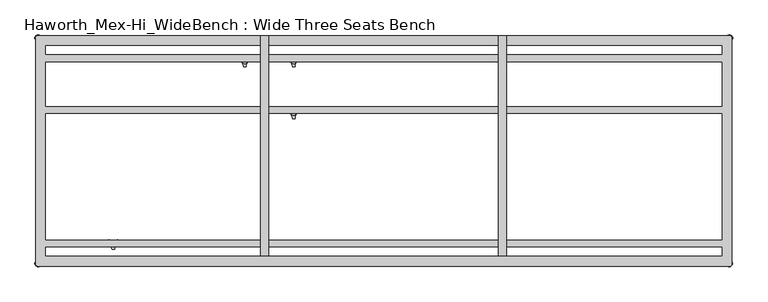
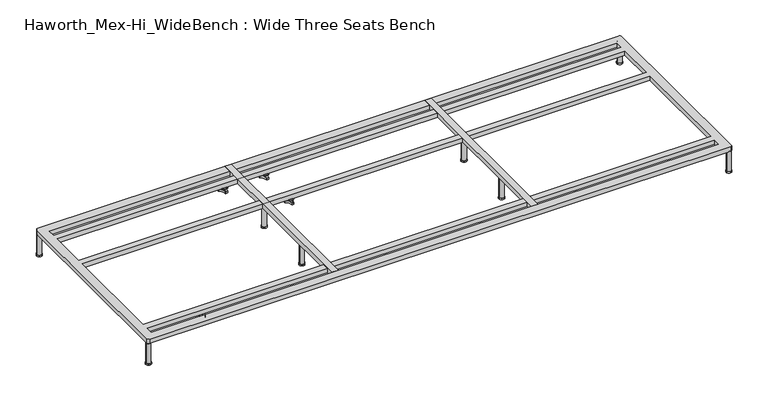
"""IFC4 building model written with IfcOpenShell, lengths in millimetres: furniture geometry, Haworth_Mex-Hi_WideBench : Wide Three Seats Bench."""

from ifc_helpers import new_model, si_unit, point, frame, frame_2d, origin, origin_with_axes, place, context, project, spatial, polyline, circle_curve, trimmed, segment, composite_curve, outline, extrude, source, transform, mapped, element, save
from ifc_brep_helpers import plane_surface, cylinder_surface, revolved_surface, advanced_brep


def haworth_mex_hi_widebench_wide_three_seats_bench_ba6f2c74(model_context):
    return source(origin(), model_context, "Body", "SolidModel", [
        advanced_brep(
        [(-519.7611937, -130.2721038, 98.611642), (-523.9837819, -137.585841, 98.611642), (-523.585833, -138.7518724, 98.611642), (-507.7665623, -166.1516574, 98.611642), (-506.9557288, -167.0792988, 98.611642), (-498.5105502, -167.0792988, 98.611642), (-497.706022, -165.9895174, 98.611642), (-481.6037689, -138.4877144, 98.611642), (-481.4824919, -137.5858427, 98.611642), (-485.7050818, -130.2721023, 98.611642), (-486.9138653, -130.0337175, 98.611642), (-518.5524137, -130.0337175, 98.611642), (-493.360263, -145.1926245, 98.611642), (-512.2652749, -145.1926245, 98.611642), (-519.7611937, -130.2721038, 88.6531552), (-518.5524137, -130.0337175, 88.6531552), (-486.9138653, -130.0337175, 88.6531552), (-485.7050818, -130.2721023, 88.6531552), (-481.4824919, -137.5858427, 88.6531552), (-481.6037689, -138.4877144, 88.6531552), (-497.706022, -165.9895174, 88.6531552), (-498.5105502, -167.0792988, 88.6531552), (-506.9557288, -167.0792988, 88.6531552), (-507.7665623, -166.1516574, 88.6531552), (-523.585833, -138.7518724, 88.6531552), (-523.9837819, -137.585841, 88.6531552), (-512.2652749, -145.1926245, 103.6569541), (-493.360263, -145.1926245, 103.6569541)],
        [
            (0, 1, circle_curve(frame((-501.5017056, -145.690049, 98.611642), z_axis=(0.0, 0.0, 1.0), x_axis=(1.0, 0.0, 0.0)), 23.8981576)),
            (1, 2, circle_curve(frame((-523.0562233, -137.920202, 98.611642), z_axis=(0.0, 0.0, 1.0), x_axis=(1.0, 0.0, 0.0)), 0.9859828)),
            (2, 3, circle_curve(frame((-541.981203, -167.6389644, 98.611642), z_axis=(0.0, 0.0, -1.0), x_axis=(1.0, 0.0, 0.0)), 34.246952)),
            (3, 4, circle_curve(frame((-506.7815189, -166.1088376, 98.611642), z_axis=(0.0, 0.0, 1.0), x_axis=(1.0, 0.0, 0.0)), 0.9859736)),
            (4, 5, circle_curve(frame((-502.7331395, -143.5567534, 98.611642), z_axis=(0.0, 0.0, 1.0), x_axis=(1.0, 0.0, 0.0)), 23.8985439)),
            (5, 6, circle_curve(frame((-498.6847621, -166.1088262, 98.611642), z_axis=(0.0, 0.0, 1.0), x_axis=(1.0, 0.0, 0.0)), 0.9859852)),
            (6, 7, circle_curve(frame((-463.4843483, -167.5614211, 98.611642), z_axis=(0.0, 0.0, -1.0), x_axis=(1.0, 0.0, 0.0)), 34.2577557)),
            (7, 8, circle_curve(frame((-482.4100533, -137.9202011, 98.611642), z_axis=(0.0, 0.0, 1.0), x_axis=(1.0, 0.0, 0.0)), 0.9859847)),
            (8, 9, circle_curve(frame((-503.9641822, -145.6898258, 98.611642), z_axis=(0.0, 0.0, 1.0), x_axis=(1.0, 0.0, 0.0)), 23.8977184)),
            (9, 10, circle_curve(frame((-486.4584281, -130.9082171, 98.611642), z_axis=(0.0, 0.0, 1.0), x_axis=(1.0, 0.0, 0.0)), 0.9859881)),
            (10, 11, circle_curve(frame((-502.7331395, -99.6586209, 98.611642), z_axis=(0.0, 0.0, -1.0), x_axis=(1.0, 0.0, 0.0)), 34.2475683)),
            (11, 0, circle_curve(frame((-519.0078488, -130.9082131, 98.611642), z_axis=(0.0, 0.0, 1.0), x_axis=(1.0, 0.0, 0.0)), 0.9859835)),
            (12, 13, circle_curve(frame((-502.8127689, -145.1926245, 98.611642), z_axis=(0.0, 0.0, -1.0), x_axis=(1.0, 0.0, 0.0)), 9.452506)),
            (13, 12, circle_curve(frame((-502.8127689, -145.1926245, 98.611642), z_axis=(0.0, 0.0, -1.0), x_axis=(1.0, 0.0, 0.0)), 9.452506)),
            (14, 15, circle_curve(frame((-519.0078488, -130.9082131, 88.6531552), z_axis=(0.0, 0.0, -1.0), x_axis=(1.0, 0.0, 0.0)), 0.9859835)),
            (15, 16, circle_curve(frame((-502.7331395, -99.6586209, 88.6531552), z_axis=(0.0, 0.0, 1.0), x_axis=(1.0, 0.0, 0.0)), 34.2475683)),
            (16, 17, circle_curve(frame((-486.4584281, -130.9082171, 88.6531552), z_axis=(0.0, 0.0, -1.0), x_axis=(1.0, 0.0, 0.0)), 0.9859881)),
            (17, 18, circle_curve(frame((-503.9641822, -145.6898258, 88.6531552), z_axis=(0.0, 0.0, -1.0), x_axis=(1.0, 0.0, 0.0)), 23.8977184)),
            (18, 19, circle_curve(frame((-482.4100533, -137.9202011, 88.6531552), z_axis=(0.0, 0.0, -1.0), x_axis=(1.0, 0.0, 0.0)), 0.9859847)),
            (19, 20, circle_curve(frame((-463.4843483, -167.5614211, 88.6531552), z_axis=(0.0, 0.0, 1.0), x_axis=(1.0, 0.0, 0.0)), 34.2577557)),
            (20, 21, circle_curve(frame((-498.6847621, -166.1088262, 88.6531552), z_axis=(0.0, 0.0, -1.0), x_axis=(1.0, 0.0, 0.0)), 0.9859852)),
            (21, 22, circle_curve(frame((-502.7331395, -143.5567534, 88.6531552), z_axis=(0.0, 0.0, -1.0), x_axis=(1.0, 0.0, 0.0)), 23.8985439)),
            (22, 23, circle_curve(frame((-506.7815189, -166.1088376, 88.6531552), z_axis=(0.0, 0.0, -1.0), x_axis=(1.0, 0.0, 0.0)), 0.9859736)),
            (23, 24, circle_curve(frame((-541.981203, -167.6389644, 88.6531552), z_axis=(0.0, 0.0, 1.0), x_axis=(1.0, 0.0, 0.0)), 34.246952)),
            (24, 25, circle_curve(frame((-523.0562233, -137.920202, 88.6531552), z_axis=(0.0, 0.0, -1.0), x_axis=(1.0, 0.0, 0.0)), 0.9859828)),
            (25, 14, circle_curve(frame((-501.5017056, -145.690049, 88.6531552), z_axis=(0.0, 0.0, -1.0), x_axis=(1.0, 0.0, 0.0)), 23.8981576)),
            (26, 27, circle_curve(frame((-502.8127689, -145.1926245, 103.6569541), z_axis=(0.0, 0.0, 1.0), x_axis=(1.0, 0.0, 0.0)), 9.452506)),
            (27, 26, circle_curve(frame((-502.8127689, -145.1926245, 103.6569541), z_axis=(0.0, 0.0, 1.0), x_axis=(1.0, 0.0, 0.0)), 9.452506)),
            (0, 14),
            (25, 1),
            (24, 2),
            (23, 3),
            (22, 4),
            (21, 5),
            (20, 6),
            (19, 7),
            (18, 8),
            (17, 9),
            (16, 10),
            (15, 11),
            (26, 13),
            (12, 27),
        ],
        [
            plane_surface(frame((-477.603548, -145.690049, 98.611642), z_axis=(0.0, 0.0, 1.0), x_axis=(0.0, 1.0, 0.0))),
            plane_surface(frame((-477.603548, -145.690049, 88.6531552), z_axis=(0.0, 0.0, -1.0), x_axis=(0.0, -1.0, 0.0))),
            plane_surface(frame((-493.360263, -145.1926245, 103.6569541), z_axis=(0.0, 0.0, 1.0), x_axis=(0.0, 1.0, 0.0))),
            cylinder_surface(frame((-501.5017056, -145.690049, 88.6531552), z_axis=(0.0, 0.0, 1.0), x_axis=(1.0, 0.0, 0.0)), 23.8981576),
            cylinder_surface(frame((-523.0562233, -137.920202, 88.6531552), z_axis=(0.0, 0.0, 1.0), x_axis=(1.0, 0.0, 0.0)), 0.9859828),
            revolved_surface(polyline([(-507.73425100000003, -167.6389644, 88.6531552), (-507.73425100000003, -167.6389644, 98.611642)]), (-541.981203, -167.6389644, 88.6531552), (0.0, 0.0, -1.0)),
            cylinder_surface(frame((-506.7815189, -166.1088376, 88.6531552), z_axis=(0.0, 0.0, 1.0), x_axis=(1.0, 0.0, 0.0)), 0.9859736),
            cylinder_surface(frame((-502.7331395, -143.5567534, 88.6531552), z_axis=(0.0, 0.0, 1.0), x_axis=(1.0, 0.0, 0.0)), 23.8985439),
            cylinder_surface(frame((-498.6847621, -166.1088262, 88.6531552), z_axis=(0.0, 0.0, 1.0), x_axis=(1.0, 0.0, 0.0)), 0.9859852),
            revolved_surface(polyline([(-429.2265926, -167.5614211, 88.6531552), (-429.2265926, -167.5614211, 98.611642)]), (-463.4843483, -167.5614211, 88.6531552), (0.0, 0.0, -1.0)),
            cylinder_surface(frame((-482.4100533, -137.9202011, 88.6531552), z_axis=(0.0, 0.0, 1.0), x_axis=(1.0, 0.0, 0.0)), 0.9859847),
            cylinder_surface(frame((-503.9641822, -145.6898258, 88.6531552), z_axis=(0.0, 0.0, 1.0), x_axis=(1.0, 0.0, 0.0)), 23.8977184),
            cylinder_surface(frame((-486.4584281, -130.9082171, 88.6531552), z_axis=(0.0, 0.0, 1.0), x_axis=(1.0, 0.0, 0.0)), 0.9859881),
            revolved_surface(polyline([(-468.4855712, -99.6586209, 88.6531552), (-468.4855712, -99.6586209, 98.611642)]), (-502.7331395, -99.6586209, 88.6531552), (0.0, 0.0, -1.0)),
            cylinder_surface(frame((-519.0078488, -130.9082131, 88.6531552), z_axis=(0.0, 0.0, 1.0), x_axis=(1.0, 0.0, 0.0)), 0.9859835),
            cylinder_surface(frame((-502.8127689, -145.1926245, 98.611642), z_axis=(0.0, 0.0, 1.0), x_axis=(1.0, 0.0, 0.0)), 9.452506),
        ],
        [
            (0, [[1, 2, 3, 4, 5, 6, 7, 8, 9, 10, 11, 12], [13, 14]]),
            (1, [[15, 16, 17, 18, 19, 20, 21, 22, 23, 24, 25, 26]]),
            (2, [[27, 28]]),
            (3, [[-1, 29, -26, 30]]),
            (4, [[-2, -30, -25, 31]]),
            (5, [[-3, -31, -24, 32]]),
            (6, [[-4, -32, -23, 33]]),
            (7, [[-5, -33, -22, 34]]),
            (8, [[-6, -34, -21, 35]]),
            (9, [[-7, -35, -20, 36]]),
            (10, [[-8, -36, -19, 37]]),
            (11, [[-9, -37, -18, 38]]),
            (12, [[-10, -38, -17, 39]]),
            (13, [[-11, -39, -16, 40]]),
            (14, [[-12, -40, -15, -29]]),
            (15, [[-27, 41, -13, 42]]),
            (15, [[-28, -42, -14, -41]]),
        ],
    ),
        advanced_brep(
        [(-519.7611937, 69.7278978, 98.611642), (-523.9837819, 62.4141605, 98.611642), (-523.585833, 61.2481292, 98.611642), (-507.7665623, 33.8483441, 98.611642), (-506.9557288, 32.9207027, 98.611642), (-498.5105502, 32.9207027, 98.611642), (-497.706022, 34.0104841, 98.611642), (-481.6037689, 61.5122871, 98.611642), (-481.4824919, 62.4141588, 98.611642), (-485.7050818, 69.7278992, 98.611642), (-486.9138653, 69.966284, 98.611642), (-518.5524137, 69.966284, 98.611642), (-493.360263, 54.807377, 98.611642), (-512.2652749, 54.807377, 98.611642), (-519.7611937, 69.7278978, 88.6531552), (-518.5524137, 69.966284, 88.6531552), (-486.9138653, 69.966284, 88.6531552), (-485.7050818, 69.7278992, 88.6531552), (-481.4824919, 62.4141588, 88.6531552), (-481.6037689, 61.5122871, 88.6531552), (-497.706022, 34.0104841, 88.6531552), (-498.5105502, 32.9207027, 88.6531552), (-506.9557288, 32.9207027, 88.6531552), (-507.7665623, 33.8483441, 88.6531552), (-523.585833, 61.2481292, 88.6531552), (-523.9837819, 62.4141605, 88.6531552), (-512.2652749, 54.807377, 103.6569541), (-493.360263, 54.807377, 103.6569541)],
        [
            (0, 1, circle_curve(frame((-501.5017056, 54.3099526, 98.611642), z_axis=(0.0, 0.0, 1.0), x_axis=(1.0, 0.0, 0.0)), 23.8981576)),
            (1, 2, circle_curve(frame((-523.0562233, 62.0797996, 98.611642), z_axis=(0.0, 0.0, 1.0), x_axis=(1.0, 0.0, 0.0)), 0.9859828)),
            (2, 3, circle_curve(frame((-541.981203, 32.3610372, 98.611642), z_axis=(0.0, 0.0, -1.0), x_axis=(1.0, 0.0, 0.0)), 34.246952)),
            (3, 4, circle_curve(frame((-506.7815189, 33.8911639, 98.611642), z_axis=(0.0, 0.0, 1.0), x_axis=(1.0, 0.0, 0.0)), 0.9859736)),
            (4, 5, circle_curve(frame((-502.7331395, 56.4432481, 98.611642), z_axis=(0.0, 0.0, 1.0), x_axis=(1.0, 0.0, 0.0)), 23.8985439)),
            (5, 6, circle_curve(frame((-498.6847621, 33.8911753, 98.611642), z_axis=(0.0, 0.0, 1.0), x_axis=(1.0, 0.0, 0.0)), 0.9859852)),
            (6, 7, circle_curve(frame((-463.4843483, 32.4385804, 98.611642), z_axis=(0.0, 0.0, -1.0), x_axis=(1.0, 0.0, 0.0)), 34.2577557)),
            (7, 8, circle_curve(frame((-482.4100533, 62.0798004, 98.611642), z_axis=(0.0, 0.0, 1.0), x_axis=(1.0, 0.0, 0.0)), 0.9859847)),
            (8, 9, circle_curve(frame((-503.9641822, 54.3101757, 98.611642), z_axis=(0.0, 0.0, 1.0), x_axis=(1.0, 0.0, 0.0)), 23.8977184)),
            (9, 10, circle_curve(frame((-486.4584281, 69.0917844, 98.611642), z_axis=(0.0, 0.0, 1.0), x_axis=(1.0, 0.0, 0.0)), 0.9859881)),
            (10, 11, circle_curve(frame((-502.7331395, 100.3413806, 98.611642), z_axis=(0.0, 0.0, -1.0), x_axis=(1.0, 0.0, 0.0)), 34.2475683)),
            (11, 0, circle_curve(frame((-519.0078488, 69.0917885, 98.611642), z_axis=(0.0, 0.0, 1.0), x_axis=(1.0, 0.0, 0.0)), 0.9859835)),
            (12, 13, circle_curve(frame((-502.8127689, 54.807377, 98.611642), z_axis=(0.0, 0.0, -1.0), x_axis=(1.0, 0.0, 0.0)), 9.452506)),
            (13, 12, circle_curve(frame((-502.8127689, 54.807377, 98.611642), z_axis=(0.0, 0.0, -1.0), x_axis=(1.0, 0.0, 0.0)), 9.452506)),
            (14, 15, circle_curve(frame((-519.0078488, 69.0917885, 88.6531552), z_axis=(0.0, 0.0, -1.0), x_axis=(1.0, 0.0, 0.0)), 0.9859835)),
            (15, 16, circle_curve(frame((-502.7331395, 100.3413806, 88.6531552), z_axis=(0.0, 0.0, 1.0), x_axis=(1.0, 0.0, 0.0)), 34.2475683)),
            (16, 17, circle_curve(frame((-486.4584281, 69.0917844, 88.6531552), z_axis=(0.0, 0.0, -1.0), x_axis=(1.0, 0.0, 0.0)), 0.9859881)),
            (17, 18, circle_curve(frame((-503.9641822, 54.3101757, 88.6531552), z_axis=(0.0, 0.0, -1.0), x_axis=(1.0, 0.0, 0.0)), 23.8977184)),
            (18, 19, circle_curve(frame((-482.4100533, 62.0798004, 88.6531552), z_axis=(0.0, 0.0, -1.0), x_axis=(1.0, 0.0, 0.0)), 0.9859847)),
            (19, 20, circle_curve(frame((-463.4843483, 32.4385804, 88.6531552), z_axis=(0.0, 0.0, 1.0), x_axis=(1.0, 0.0, 0.0)), 34.2577557)),
            (20, 21, circle_curve(frame((-498.6847621, 33.8911753, 88.6531552), z_axis=(0.0, 0.0, -1.0), x_axis=(1.0, 0.0, 0.0)), 0.9859852)),
            (21, 22, circle_curve(frame((-502.7331395, 56.4432481, 88.6531552), z_axis=(0.0, 0.0, -1.0), x_axis=(1.0, 0.0, 0.0)), 23.8985439)),
            (22, 23, circle_curve(frame((-506.7815189, 33.8911639, 88.6531552), z_axis=(0.0, 0.0, -1.0), x_axis=(1.0, 0.0, 0.0)), 0.9859736)),
            (23, 24, circle_curve(frame((-541.981203, 32.3610372, 88.6531552), z_axis=(0.0, 0.0, 1.0), x_axis=(1.0, 0.0, 0.0)), 34.246952)),
            (24, 25, circle_curve(frame((-523.0562233, 62.0797996, 88.6531552), z_axis=(0.0, 0.0, -1.0), x_axis=(1.0, 0.0, 0.0)), 0.9859828)),
            (25, 14, circle_curve(frame((-501.5017056, 54.3099526, 88.6531552), z_axis=(0.0, 0.0, -1.0), x_axis=(1.0, 0.0, 0.0)), 23.8981576)),
            (26, 27, circle_curve(frame((-502.8127689, 54.807377, 103.6569541), z_axis=(0.0, 0.0, 1.0), x_axis=(1.0, 0.0, 0.0)), 9.452506)),
            (27, 26, circle_curve(frame((-502.8127689, 54.807377, 103.6569541), z_axis=(0.0, 0.0, 1.0), x_axis=(1.0, 0.0, 0.0)), 9.452506)),
            (0, 14),
            (25, 1),
            (24, 2),
            (23, 3),
            (22, 4),
            (21, 5),
            (20, 6),
            (19, 7),
            (18, 8),
            (17, 9),
            (16, 10),
            (15, 11),
            (26, 13),
            (12, 27),
        ],
        [
            plane_surface(frame((-477.603548, 54.3099526, 98.611642), z_axis=(0.0, 0.0, 1.0), x_axis=(0.0, 1.0, 0.0))),
            plane_surface(frame((-477.603548, 54.3099526, 88.6531552), z_axis=(0.0, 0.0, -1.0), x_axis=(0.0, -1.0, 0.0))),
            plane_surface(frame((-493.360263, 54.807377, 103.6569541), z_axis=(0.0, 0.0, 1.0), x_axis=(0.0, 1.0, 0.0))),
            cylinder_surface(frame((-501.5017056, 54.3099526, 88.6531552), z_axis=(0.0, 0.0, 1.0), x_axis=(1.0, 0.0, 0.0)), 23.8981576),
            cylinder_surface(frame((-523.0562233, 62.0797996, 88.6531552), z_axis=(0.0, 0.0, 1.0), x_axis=(1.0, 0.0, 0.0)), 0.9859828),
            revolved_surface(polyline([(-507.73425100000003, 32.3610372, 88.6531552), (-507.73425100000003, 32.3610372, 98.611642)]), (-541.981203, 32.3610372, 88.6531552), (0.0, 0.0, -1.0)),
            cylinder_surface(frame((-506.7815189, 33.8911639, 88.6531552), z_axis=(0.0, 0.0, 1.0), x_axis=(1.0, 0.0, 0.0)), 0.9859736),
            cylinder_surface(frame((-502.7331395, 56.4432481, 88.6531552), z_axis=(0.0, 0.0, 1.0), x_axis=(1.0, 0.0, 0.0)), 23.8985439),
            cylinder_surface(frame((-498.6847621, 33.8911753, 88.6531552), z_axis=(0.0, 0.0, 1.0), x_axis=(1.0, 0.0, 0.0)), 0.9859852),
            revolved_surface(polyline([(-429.2265926, 32.4385804, 88.6531552), (-429.2265926, 32.4385804, 98.611642)]), (-463.4843483, 32.4385804, 88.6531552), (0.0, 0.0, -1.0)),
            cylinder_surface(frame((-482.4100533, 62.0798004, 88.6531552), z_axis=(0.0, 0.0, 1.0), x_axis=(1.0, 0.0, 0.0)), 0.9859847),
            cylinder_surface(frame((-503.9641822, 54.3101757, 88.6531552), z_axis=(0.0, 0.0, 1.0), x_axis=(1.0, 0.0, 0.0)), 23.8977184),
            cylinder_surface(frame((-486.4584281, 69.0917844, 88.6531552), z_axis=(0.0, 0.0, 1.0), x_axis=(1.0, 0.0, 0.0)), 0.9859881),
            revolved_surface(polyline([(-468.4855712, 100.3413806, 88.6531552), (-468.4855712, 100.3413806, 98.611642)]), (-502.7331395, 100.3413806, 88.6531552), (0.0, 0.0, -1.0)),
            cylinder_surface(frame((-519.0078488, 69.0917885, 88.6531552), z_axis=(0.0, 0.0, 1.0), x_axis=(1.0, 0.0, 0.0)), 0.9859835),
            cylinder_surface(frame((-502.8127689, 54.807377, 98.611642), z_axis=(0.0, 0.0, 1.0), x_axis=(1.0, 0.0, 0.0)), 9.452506),
        ],
        [
            (0, [[1, 2, 3, 4, 5, 6, 7, 8, 9, 10, 11, 12], [13, 14]]),
            (1, [[15, 16, 17, 18, 19, 20, 21, 22, 23, 24, 25, 26]]),
            (2, [[27, 28]]),
            (3, [[-1, 29, -26, 30]]),
            (4, [[-2, -30, -25, 31]]),
            (5, [[-3, -31, -24, 32]]),
            (6, [[-4, -32, -23, 33]]),
            (7, [[-5, -33, -22, 34]]),
            (8, [[-6, -34, -21, 35]]),
            (9, [[-7, -35, -20, 36]]),
            (10, [[-8, -36, -19, 37]]),
            (11, [[-9, -37, -18, 38]]),
            (12, [[-10, -38, -17, 39]]),
            (13, [[-11, -39, -16, 40]]),
            (14, [[-12, -40, -15, -29]]),
            (15, [[-27, 41, -13, 42]]),
            (15, [[-28, -42, -14, -41]]),
        ],
    ),
        advanced_brep(
        [(-708.6567178, 69.7278978, 98.611642), (-712.879306, 62.4141605, 98.611642), (-712.4813572, 61.2481292, 98.611642), (-696.6620864, 33.8483441, 98.611642), (-695.8512529, 32.9207027, 98.611642), (-687.4060744, 32.9207027, 98.611642), (-686.6015461, 34.0104841, 98.611642), (-670.4992931, 61.5122871, 98.611642), (-670.378016, 62.4141588, 98.611642), (-674.600606, 69.7278992, 98.611642), (-675.8093894, 69.966284, 98.611642), (-707.4479379, 69.966284, 98.611642), (-682.2557871, 54.807377, 98.611642), (-701.160799, 54.807377, 98.611642), (-708.6567178, 69.7278978, 88.6531552), (-707.4479379, 69.966284, 88.6531552), (-675.8093894, 69.966284, 88.6531552), (-674.600606, 69.7278992, 88.6531552), (-670.378016, 62.4141588, 88.6531552), (-670.4992931, 61.5122871, 88.6531552), (-686.6015461, 34.0104841, 88.6531552), (-687.4060744, 32.9207027, 88.6531552), (-695.8512529, 32.9207027, 88.6531552), (-696.6620864, 33.8483441, 88.6531552), (-712.4813572, 61.2481292, 88.6531552), (-712.879306, 62.4141605, 88.6531552), (-701.160799, 54.807377, 103.6569541), (-682.2557871, 54.807377, 103.6569541)],
        [
            (0, 1, circle_curve(frame((-690.3972298, 54.3099526, 98.611642), z_axis=(0.0, 0.0, 1.0), x_axis=(1.0, 0.0, 0.0)), 23.8981576)),
            (1, 2, circle_curve(frame((-711.9517474, 62.0797996, 98.611642), z_axis=(0.0, 0.0, 1.0), x_axis=(1.0, 0.0, 0.0)), 0.9859828)),
            (2, 3, circle_curve(frame((-730.8767271, 32.3610372, 98.611642), z_axis=(0.0, 0.0, -1.0), x_axis=(1.0, 0.0, 0.0)), 34.246952)),
            (3, 4, circle_curve(frame((-695.6770431, 33.8911639, 98.611642), z_axis=(0.0, 0.0, 1.0), x_axis=(1.0, 0.0, 0.0)), 0.9859736)),
            (4, 5, circle_curve(frame((-691.6286636, 56.4432481, 98.611642), z_axis=(0.0, 0.0, 1.0), x_axis=(1.0, 0.0, 0.0)), 23.8985439)),
            (5, 6, circle_curve(frame((-687.5802862, 33.8911753, 98.611642), z_axis=(0.0, 0.0, 1.0), x_axis=(1.0, 0.0, 0.0)), 0.9859852)),
            (6, 7, circle_curve(frame((-652.3798725, 32.4385804, 98.611642), z_axis=(0.0, 0.0, -1.0), x_axis=(1.0, 0.0, 0.0)), 34.2577557)),
            (7, 8, circle_curve(frame((-671.3055775, 62.0798004, 98.611642), z_axis=(0.0, 0.0, 1.0), x_axis=(1.0, 0.0, 0.0)), 0.9859847)),
            (8, 9, circle_curve(frame((-692.8597064, 54.3101757, 98.611642), z_axis=(0.0, 0.0, 1.0), x_axis=(1.0, 0.0, 0.0)), 23.8977184)),
            (9, 10, circle_curve(frame((-675.3539522, 69.0917844, 98.611642), z_axis=(0.0, 0.0, 1.0), x_axis=(1.0, 0.0, 0.0)), 0.9859881)),
            (10, 11, circle_curve(frame((-691.6286636, 100.3413806, 98.611642), z_axis=(0.0, 0.0, -1.0), x_axis=(1.0, 0.0, 0.0)), 34.2475683)),
            (11, 0, circle_curve(frame((-707.9033729, 69.0917885, 98.611642), z_axis=(0.0, 0.0, 1.0), x_axis=(1.0, 0.0, 0.0)), 0.9859835)),
            (12, 13, circle_curve(frame((-691.7082931, 54.807377, 98.611642), z_axis=(0.0, 0.0, -1.0), x_axis=(1.0, 0.0, 0.0)), 9.452506)),
            (13, 12, circle_curve(frame((-691.7082931, 54.807377, 98.611642), z_axis=(0.0, 0.0, -1.0), x_axis=(1.0, 0.0, 0.0)), 9.452506)),
            (14, 15, circle_curve(frame((-707.9033729, 69.0917885, 88.6531552), z_axis=(0.0, 0.0, -1.0), x_axis=(1.0, 0.0, 0.0)), 0.9859835)),
            (15, 16, circle_curve(frame((-691.6286636, 100.3413806, 88.6531552), z_axis=(0.0, 0.0, 1.0), x_axis=(1.0, 0.0, 0.0)), 34.2475683)),
            (16, 17, circle_curve(frame((-675.3539522, 69.0917844, 88.6531552), z_axis=(0.0, 0.0, -1.0), x_axis=(1.0, 0.0, 0.0)), 0.9859881)),
            (17, 18, circle_curve(frame((-692.8597064, 54.3101757, 88.6531552), z_axis=(0.0, 0.0, -1.0), x_axis=(1.0, 0.0, 0.0)), 23.8977184)),
            (18, 19, circle_curve(frame((-671.3055775, 62.0798004, 88.6531552), z_axis=(0.0, 0.0, -1.0), x_axis=(1.0, 0.0, 0.0)), 0.9859847)),
            (19, 20, circle_curve(frame((-652.3798725, 32.4385804, 88.6531552), z_axis=(0.0, 0.0, 1.0), x_axis=(1.0, 0.0, 0.0)), 34.2577557)),
            (20, 21, circle_curve(frame((-687.5802862, 33.8911753, 88.6531552), z_axis=(0.0, 0.0, -1.0), x_axis=(1.0, 0.0, 0.0)), 0.9859852)),
            (21, 22, circle_curve(frame((-691.6286636, 56.4432481, 88.6531552), z_axis=(0.0, 0.0, -1.0), x_axis=(1.0, 0.0, 0.0)), 23.8985439)),
            (22, 23, circle_curve(frame((-695.6770431, 33.8911639, 88.6531552), z_axis=(0.0, 0.0, -1.0), x_axis=(1.0, 0.0, 0.0)), 0.9859736)),
            (23, 24, circle_curve(frame((-730.8767271, 32.3610372, 88.6531552), z_axis=(0.0, 0.0, 1.0), x_axis=(1.0, 0.0, 0.0)), 34.246952)),
            (24, 25, circle_curve(frame((-711.9517474, 62.0797996, 88.6531552), z_axis=(0.0, 0.0, -1.0), x_axis=(1.0, 0.0, 0.0)), 0.9859828)),
            (25, 14, circle_curve(frame((-690.3972298, 54.3099526, 88.6531552), z_axis=(0.0, 0.0, -1.0), x_axis=(1.0, 0.0, 0.0)), 23.8981576)),
            (26, 27, circle_curve(frame((-691.7082931, 54.807377, 103.6569541), z_axis=(0.0, 0.0, 1.0), x_axis=(1.0, 0.0, 0.0)), 9.452506)),
            (27, 26, circle_curve(frame((-691.7082931, 54.807377, 103.6569541), z_axis=(0.0, 0.0, 1.0), x_axis=(1.0, 0.0, 0.0)), 9.452506)),
            (0, 14),
            (25, 1),
            (24, 2),
            (23, 3),
            (22, 4),
            (21, 5),
            (20, 6),
            (19, 7),
            (18, 8),
            (17, 9),
            (16, 10),
            (15, 11),
            (26, 13),
            (12, 27),
        ],
        [
            plane_surface(frame((-666.4990722, 54.3099526, 98.611642), z_axis=(0.0, 0.0, 1.0), x_axis=(0.0, 1.0, 0.0))),
            plane_surface(frame((-666.4990722, 54.3099526, 88.6531552), z_axis=(0.0, 0.0, -1.0), x_axis=(0.0, -1.0, 0.0))),
            plane_surface(frame((-682.2557871, 54.807377, 103.6569541), z_axis=(0.0, 0.0, 1.0), x_axis=(0.0, 1.0, 0.0))),
            cylinder_surface(frame((-690.3972298, 54.3099526, 88.6531552), z_axis=(0.0, 0.0, 1.0), x_axis=(1.0, 0.0, 0.0)), 23.8981576),
            cylinder_surface(frame((-711.9517474, 62.0797996, 88.6531552), z_axis=(0.0, 0.0, 1.0), x_axis=(1.0, 0.0, 0.0)), 0.9859828),
            revolved_surface(polyline([(-696.6297751000001, 32.3610372, 88.6531552), (-696.6297751000001, 32.3610372, 98.611642)]), (-730.8767271, 32.3610372, 88.6531552), (0.0, 0.0, -1.0)),
            cylinder_surface(frame((-695.6770431, 33.8911639, 88.6531552), z_axis=(0.0, 0.0, 1.0), x_axis=(1.0, 0.0, 0.0)), 0.9859736),
            cylinder_surface(frame((-691.6286636, 56.4432481, 88.6531552), z_axis=(0.0, 0.0, 1.0), x_axis=(1.0, 0.0, 0.0)), 23.8985439),
            cylinder_surface(frame((-687.5802862, 33.8911753, 88.6531552), z_axis=(0.0, 0.0, 1.0), x_axis=(1.0, 0.0, 0.0)), 0.9859852),
            revolved_surface(polyline([(-618.1221168000001, 32.4385804, 88.6531552), (-618.1221168000001, 32.4385804, 98.611642)]), (-652.3798725, 32.4385804, 88.6531552), (0.0, 0.0, -1.0)),
            cylinder_surface(frame((-671.3055775, 62.0798004, 88.6531552), z_axis=(0.0, 0.0, 1.0), x_axis=(1.0, 0.0, 0.0)), 0.9859847),
            cylinder_surface(frame((-692.8597064, 54.3101757, 88.6531552), z_axis=(0.0, 0.0, 1.0), x_axis=(1.0, 0.0, 0.0)), 23.8977184),
            cylinder_surface(frame((-675.3539522, 69.0917844, 88.6531552), z_axis=(0.0, 0.0, 1.0), x_axis=(1.0, 0.0, 0.0)), 0.9859881),
            revolved_surface(polyline([(-657.3810953, 100.3413806, 88.6531552), (-657.3810953, 100.3413806, 98.611642)]), (-691.6286636, 100.3413806, 88.6531552), (0.0, 0.0, -1.0)),
            cylinder_surface(frame((-707.9033729, 69.0917885, 88.6531552), z_axis=(0.0, 0.0, 1.0), x_axis=(1.0, 0.0, 0.0)), 0.9859835),
            cylinder_surface(frame((-691.7082931, 54.807377, 98.611642), z_axis=(0.0, 0.0, 1.0), x_axis=(1.0, 0.0, 0.0)), 9.452506),
        ],
        [
            (0, [[1, 2, 3, 4, 5, 6, 7, 8, 9, 10, 11, 12], [13, 14]]),
            (1, [[15, 16, 17, 18, 19, 20, 21, 22, 23, 24, 25, 26]]),
            (2, [[27, 28]]),
            (3, [[-1, 29, -26, 30]]),
            (4, [[-2, -30, -25, 31]]),
            (5, [[-3, -31, -24, 32]]),
            (6, [[-4, -32, -23, 33]]),
            (7, [[-5, -33, -22, 34]]),
            (8, [[-6, -34, -21, 35]]),
            (9, [[-7, -35, -20, 36]]),
            (10, [[-8, -36, -19, 37]]),
            (11, [[-9, -37, -18, 38]]),
            (12, [[-10, -38, -17, 39]]),
            (13, [[-11, -39, -16, 40]]),
            (14, [[-12, -40, -15, -29]]),
            (15, [[-27, 41, -13, 42]]),
            (15, [[-28, -42, -14, -41]]),
        ],
    ),
        advanced_brep(
        [(-1216.6567178, -633.9963447, 98.6365961), (-1220.879306, -641.3100819, 98.6365961), (-1220.4813572, -642.4761133, 98.6365961), (-1204.6620864, -669.8758983, 98.6365961), (-1203.8512529, -670.8035397, 98.6365961), (-1195.4060744, -670.8035397, 98.6365961), (-1194.6015461, -669.7137583, 98.6365961), (-1178.4992931, -642.2119553, 98.6365961), (-1178.378016, -641.3100836, 98.6365961), (-1182.600606, -633.9963432, 98.6365961), (-1183.8093894, -633.7579584, 98.6365961), (-1215.4479379, -633.7579584, 98.6365961), (-1190.2557871, -648.9168654, 98.6365961), (-1209.160799, -648.9168654, 98.6365961), (-1216.6567178, -633.9963447, 88.6781094), (-1215.4479379, -633.7579584, 88.6781094), (-1183.8093894, -633.7579584, 88.6781094), (-1182.600606, -633.9963432, 88.6781094), (-1178.378016, -641.3100836, 88.6781094), (-1178.4992931, -642.2119553, 88.6781094), (-1194.6015461, -669.7137583, 88.6781094), (-1195.4060744, -670.8035397, 88.6781094), (-1203.8512529, -670.8035397, 88.6781094), (-1204.6620864, -669.8758983, 88.6781094), (-1220.4813572, -642.4761133, 88.6781094), (-1220.879306, -641.3100819, 88.6781094), (-1209.160799, -648.9168654, 103.6819083), (-1190.2557871, -648.9168654, 103.6819083)],
        [
            (0, 1, circle_curve(frame((-1198.3972298, -649.4142898, 98.6365961), z_axis=(0.0, 0.0, 1.0), x_axis=(1.0, 0.0, 0.0)), 23.8981576)),
            (1, 2, circle_curve(frame((-1219.9517474, -641.6444428, 98.6365961), z_axis=(0.0, 0.0, 1.0), x_axis=(1.0, 0.0, 0.0)), 0.9859828)),
            (2, 3, circle_curve(frame((-1238.8767271, -671.3632053, 98.6365961), z_axis=(0.0, 0.0, -1.0), x_axis=(1.0, 0.0, 0.0)), 34.246952)),
            (3, 4, circle_curve(frame((-1203.6770431, -669.8330785, 98.6365961), z_axis=(0.0, 0.0, 1.0), x_axis=(1.0, 0.0, 0.0)), 0.9859736)),
            (4, 5, circle_curve(frame((-1199.6286636, -647.2809943, 98.6365961), z_axis=(0.0, 0.0, 1.0), x_axis=(1.0, 0.0, 0.0)), 23.8985439)),
            (5, 6, circle_curve(frame((-1195.5802862, -669.8330671, 98.6365961), z_axis=(0.0, 0.0, 1.0), x_axis=(1.0, 0.0, 0.0)), 0.9859852)),
            (6, 7, circle_curve(frame((-1160.3798725, -671.285662, 98.6365961), z_axis=(0.0, 0.0, -1.0), x_axis=(1.0, 0.0, 0.0)), 34.2577557)),
            (7, 8, circle_curve(frame((-1179.3055775, -641.644442, 98.6365961), z_axis=(0.0, 0.0, 1.0), x_axis=(1.0, 0.0, 0.0)), 0.9859847)),
            (8, 9, circle_curve(frame((-1200.8597064, -649.4140667, 98.6365961), z_axis=(0.0, 0.0, 1.0), x_axis=(1.0, 0.0, 0.0)), 23.8977184)),
            (9, 10, circle_curve(frame((-1183.3539522, -634.632458, 98.6365961), z_axis=(0.0, 0.0, 1.0), x_axis=(1.0, 0.0, 0.0)), 0.9859881)),
            (10, 11, circle_curve(frame((-1199.6286636, -603.3828618, 98.6365961), z_axis=(0.0, 0.0, -1.0), x_axis=(1.0, 0.0, 0.0)), 34.2475683)),
            (11, 0, circle_curve(frame((-1215.9033729, -634.632454, 98.6365961), z_axis=(0.0, 0.0, 1.0), x_axis=(1.0, 0.0, 0.0)), 0.9859835)),
            (12, 13, circle_curve(frame((-1199.7082931, -648.9168654, 98.6365961), z_axis=(0.0, 0.0, -1.0), x_axis=(1.0, 0.0, 0.0)), 9.452506)),
            (13, 12, circle_curve(frame((-1199.7082931, -648.9168654, 98.6365961), z_axis=(0.0, 0.0, -1.0), x_axis=(1.0, 0.0, 0.0)), 9.452506)),
            (14, 15, circle_curve(frame((-1215.9033729, -634.632454, 88.6781094), z_axis=(0.0, 0.0, -1.0), x_axis=(1.0, 0.0, 0.0)), 0.9859835)),
            (15, 16, circle_curve(frame((-1199.6286636, -603.3828618, 88.6781094), z_axis=(0.0, 0.0, 1.0), x_axis=(1.0, 0.0, 0.0)), 34.2475683)),
            (16, 17, circle_curve(frame((-1183.3539522, -634.632458, 88.6781094), z_axis=(0.0, 0.0, -1.0), x_axis=(1.0, 0.0, 0.0)), 0.9859881)),
            (17, 18, circle_curve(frame((-1200.8597064, -649.4140667, 88.6781094), z_axis=(0.0, 0.0, -1.0), x_axis=(1.0, 0.0, 0.0)), 23.8977184)),
            (18, 19, circle_curve(frame((-1179.3055775, -641.644442, 88.6781094), z_axis=(0.0, 0.0, -1.0), x_axis=(1.0, 0.0, 0.0)), 0.9859847)),
            (19, 20, circle_curve(frame((-1160.3798725, -671.285662, 88.6781094), z_axis=(0.0, 0.0, 1.0), x_axis=(1.0, 0.0, 0.0)), 34.2577557)),
            (20, 21, circle_curve(frame((-1195.5802862, -669.8330671, 88.6781094), z_axis=(0.0, 0.0, -1.0), x_axis=(1.0, 0.0, 0.0)), 0.9859852)),
            (21, 22, circle_curve(frame((-1199.6286636, -647.2809943, 88.6781094), z_axis=(0.0, 0.0, -1.0), x_axis=(1.0, 0.0, 0.0)), 23.8985439)),
            (22, 23, circle_curve(frame((-1203.6770431, -669.8330785, 88.6781094), z_axis=(0.0, 0.0, -1.0), x_axis=(1.0, 0.0, 0.0)), 0.9859736)),
            (23, 24, circle_curve(frame((-1238.8767271, -671.3632053, 88.6781094), z_axis=(0.0, 0.0, 1.0), x_axis=(1.0, 0.0, 0.0)), 34.246952)),
            (24, 25, circle_curve(frame((-1219.9517474, -641.6444428, 88.6781094), z_axis=(0.0, 0.0, -1.0), x_axis=(1.0, 0.0, 0.0)), 0.9859828)),
            (25, 14, circle_curve(frame((-1198.3972298, -649.4142898, 88.6781094), z_axis=(0.0, 0.0, -1.0), x_axis=(1.0, 0.0, 0.0)), 23.8981576)),
            (26, 27, circle_curve(frame((-1199.7082931, -648.9168654, 103.6819083), z_axis=(0.0, 0.0, 1.0), x_axis=(1.0, 0.0, 0.0)), 9.452506)),
            (27, 26, circle_curve(frame((-1199.7082931, -648.9168654, 103.6819083), z_axis=(0.0, 0.0, 1.0), x_axis=(1.0, 0.0, 0.0)), 9.452506)),
            (0, 14),
            (25, 1),
            (24, 2),
            (23, 3),
            (22, 4),
            (21, 5),
            (20, 6),
            (19, 7),
            (18, 8),
            (17, 9),
            (16, 10),
            (15, 11),
            (26, 13),
            (12, 27),
        ],
        [
            plane_surface(frame((-1174.4990722, -649.4142898, 98.6365961), z_axis=(0.0, 0.0, 1.0), x_axis=(0.0, 1.0, 0.0))),
            plane_surface(frame((-1174.4990722, -649.4142898, 88.6781094), z_axis=(0.0, 0.0, -1.0), x_axis=(0.0, -1.0, 0.0))),
            plane_surface(frame((-1190.2557871, -648.9168654, 103.6819083), z_axis=(0.0, 0.0, 1.0), x_axis=(0.0, 1.0, 0.0))),
            cylinder_surface(frame((-1198.3972298, -649.4142898, 88.6781094), z_axis=(0.0, 0.0, 1.0), x_axis=(1.0, 0.0, 0.0)), 23.8981576),
            cylinder_surface(frame((-1219.9517474, -641.6444428, 88.6781094), z_axis=(0.0, 0.0, 1.0), x_axis=(1.0, 0.0, 0.0)), 0.9859828),
            revolved_surface(polyline([(-1204.6297751, -671.3632053, 88.6781094), (-1204.6297751, -671.3632053, 98.6365961)]), (-1238.8767271, -671.3632053, 88.6781094), (0.0, 0.0, -1.0)),
            cylinder_surface(frame((-1203.6770431, -669.8330785, 88.6781094), z_axis=(0.0, 0.0, 1.0), x_axis=(1.0, 0.0, 0.0)), 0.9859736),
            cylinder_surface(frame((-1199.6286636, -647.2809943, 88.6781094), z_axis=(0.0, 0.0, 1.0), x_axis=(1.0, 0.0, 0.0)), 23.8985439),
            cylinder_surface(frame((-1195.5802862, -669.8330671, 88.6781094), z_axis=(0.0, 0.0, 1.0), x_axis=(1.0, 0.0, 0.0)), 0.9859852),
            revolved_surface(polyline([(-1126.1221168, -671.285662, 88.6781094), (-1126.1221168, -671.285662, 98.6365961)]), (-1160.3798725, -671.285662, 88.6781094), (0.0, 0.0, -1.0)),
            cylinder_surface(frame((-1179.3055775, -641.644442, 88.6781094), z_axis=(0.0, 0.0, 1.0), x_axis=(1.0, 0.0, 0.0)), 0.9859847),
            cylinder_surface(frame((-1200.8597064, -649.4140667, 88.6781094), z_axis=(0.0, 0.0, 1.0), x_axis=(1.0, 0.0, 0.0)), 23.8977184),
            cylinder_surface(frame((-1183.3539522, -634.632458, 88.6781094), z_axis=(0.0, 0.0, 1.0), x_axis=(1.0, 0.0, 0.0)), 0.9859881),
            revolved_surface(polyline([(-1165.3810953, -603.3828618, 88.6781094), (-1165.3810953, -603.3828618, 98.6365961)]), (-1199.6286636, -603.3828618, 88.6781094), (0.0, 0.0, -1.0)),
            cylinder_surface(frame((-1215.9033729, -634.632454, 88.6781094), z_axis=(0.0, 0.0, 1.0), x_axis=(1.0, 0.0, 0.0)), 0.9859835),
            cylinder_surface(frame((-1199.7082931, -648.9168654, 98.6365961), z_axis=(0.0, 0.0, 1.0), x_axis=(1.0, 0.0, 0.0)), 9.452506),
        ],
        [
            (0, [[1, 2, 3, 4, 5, 6, 7, 8, 9, 10, 11, 12], [13, 14]]),
            (1, [[15, 16, 17, 18, 19, 20, 21, 22, 23, 24, 25, 26]]),
            (2, [[27, 28]]),
            (3, [[-1, 29, -26, 30]]),
            (4, [[-2, -30, -25, 31]]),
            (5, [[-3, -31, -24, 32]]),
            (6, [[-4, -32, -23, 33]]),
            (7, [[-5, -33, -22, 34]]),
            (8, [[-6, -34, -21, 35]]),
            (9, [[-7, -35, -20, 36]]),
            (10, [[-8, -36, -19, 37]]),
            (11, [[-9, -37, -18, 38]]),
            (12, [[-10, -38, -17, 39]]),
            (13, [[-11, -39, -16, 40]]),
            (14, [[-12, -40, -15, -29]]),
            (15, [[-27, 41, -13, 42]]),
            (15, [[-28, -42, -14, -41]]),
        ],
    ),
        extrude(outline(composite_curve([segment(trimmed(circle_curve(frame_2d((-614.9452447, -433.7002937)), 12.5000005), [point((-627.4452452, -433.7002937))], [point((-602.4452442, -433.7002937))], False, "CARTESIAN"), True, "CONTINUOUS"), segment(trimmed(circle_curve(frame_2d((-614.9452447, -433.7002937)), 12.5000005), [point((-602.4452442, -433.7002937))], [point((-627.4452452, -433.7002937))], False, "CARTESIAN"), True, "CONTINUOUS")], self_intersect=False)), origin_with_axes(), (0.0, 0.0, 1.0), 6.0),
        extrude(outline(composite_curve([segment(trimmed(circle_curve(frame_2d((-614.9452447, -133.6667163)), 12.5000005), [point((-627.4452452, -133.6667163))], [point((-602.4452442, -133.6667163))], False, "CARTESIAN"), True, "CONTINUOUS"), segment(trimmed(circle_curve(frame_2d((-614.9452447, -133.6667163)), 12.5000005), [point((-602.4452442, -133.6667163))], [point((-627.4452452, -133.6667163))], False, "CARTESIAN"), True, "CONTINUOUS")], self_intersect=False)), origin_with_axes(), (0.0, 0.0, 1.0), 6.0),
        extrude(outline(composite_curve([segment(trimmed(circle_curve(frame_2d((303.9591511, -133.6667163)), 12.5000005), [point((291.4591506, -133.6667163))], [point((316.4591516, -133.6667163))], False, "CARTESIAN"), True, "CONTINUOUS"), segment(trimmed(circle_curve(frame_2d((303.9591511, -133.6667163)), 12.5000005), [point((316.4591516, -133.6667163))], [point((291.4591506, -133.6667163))], False, "CARTESIAN"), True, "CONTINUOUS")], self_intersect=False)), origin_with_axes(), (0.0, 0.0, 1.0), 6.0),
        extrude(outline(composite_curve([segment(trimmed(circle_curve(frame_2d((303.9591511, -433.7002937)), 12.5000005), [point((291.4591506, -433.7002937))], [point((316.4591516, -433.7002937))], False, "CARTESIAN"), True, "CONTINUOUS"), segment(trimmed(circle_curve(frame_2d((303.9591511, -433.7002937)), 12.5000005), [point((316.4591516, -433.7002937))], [point((291.4591506, -433.7002937))], False, "CARTESIAN"), True, "CONTINUOUS")], self_intersect=False)), origin_with_axes(), (0.0, 0.0, 1.0), 6.0),
        extrude(outline(composite_curve([segment(trimmed(circle_curve(frame_2d((-614.9452447, -433.7002937)), 10.4664203), [point((-625.411665, -433.7002937))], [point((-604.4788243, -433.7002937))], False, "CARTESIAN"), True, "CONTINUOUS"), segment(trimmed(circle_curve(frame_2d((-614.9452447, -433.7002937)), 10.4664203), [point((-604.4788243, -433.7002937))], [point((-625.411665, -433.7002937))], False, "CARTESIAN"), True, "CONTINUOUS")], self_intersect=False)), origin_with_axes(), (0.0, 0.0, 1.0), 103.6569541),
        extrude(outline(composite_curve([segment(trimmed(circle_curve(frame_2d((-614.9452447, -133.6667163)), 10.4664203), [point((-625.411665, -133.6667163))], [point((-604.4788243, -133.6667163))], False, "CARTESIAN"), True, "CONTINUOUS"), segment(trimmed(circle_curve(frame_2d((-614.9452447, -133.6667163)), 10.4664203), [point((-604.4788243, -133.6667163))], [point((-625.411665, -133.6667163))], False, "CARTESIAN"), True, "CONTINUOUS")], self_intersect=False)), origin_with_axes(), (0.0, 0.0, 1.0), 103.6569541),
        extrude(outline(composite_curve([segment(trimmed(circle_curve(frame_2d((303.9591511, -133.6667163)), 10.4664203), [point((293.4927308, -133.6667163))], [point((314.4255714, -133.6667163))], False, "CARTESIAN"), True, "CONTINUOUS"), segment(trimmed(circle_curve(frame_2d((303.9591511, -133.6667163)), 10.4664203), [point((314.4255714, -133.6667163))], [point((293.4927308, -133.6667163))], False, "CARTESIAN"), True, "CONTINUOUS")], self_intersect=False)), origin_with_axes(), (0.0, 0.0, 1.0), 103.6569541),
        extrude(outline(composite_curve([segment(trimmed(circle_curve(frame_2d((303.9591511, -433.7002937)), 10.4664203), [point((293.4927308, -433.7002937))], [point((314.4255714, -433.7002937))], False, "CARTESIAN"), True, "CONTINUOUS"), segment(trimmed(circle_curve(frame_2d((303.9591511, -433.7002937)), 10.4664203), [point((314.4255714, -433.7002937))], [point((293.4927308, -433.7002937))], False, "CARTESIAN"), True, "CONTINUOUS")], self_intersect=False)), origin_with_axes(), (0.0, 0.0, 1.0), 103.6569541),
        extrude(outline(polyline([(289.0547118, -696.2002953), (289.0547118, 153.6358637), (319.0546975, 153.6358637), (319.0546975, -696.2002953), (289.0547118, -696.2002953)])), frame((0.0, 0.0, 103.6569541), z_axis=(0.0, 0.0, 1.0), x_axis=(1.0, 0.0, 0.0)), (0.0, 0.0, 1.0), 20.3430443),
        extrude(outline(polyline([(-629.9452738, -696.2002953), (-629.9452738, 153.6358637), (-599.9452882, 153.6358637), (-599.9452882, -696.2002953), (-629.9452738, -696.2002953)])), frame((0.0, 0.0, 103.6569541), z_axis=(0.0, 0.0, 1.0), x_axis=(1.0, 0.0, 0.0)), (0.0, 0.0, 1.0), 20.3430443),
        extrude(outline(composite_curve([segment(trimmed(circle_curve(frame_2d((-1489.680311, 143.787786)), 12.5000005), [point((-1502.1803115, 143.787786))], [point((-1477.1803105, 143.787786))], False, "CARTESIAN"), True, "CONTINUOUS"), segment(trimmed(circle_curve(frame_2d((-1489.680311, 143.787786)), 12.5000005), [point((-1477.1803105, 143.787786))], [point((-1502.1803115, 143.787786))], False, "CARTESIAN"), True, "CONTINUOUS")], self_intersect=False)), origin_with_axes(), (0.0, 0.0, 1.0), 6.0),
        extrude(outline(composite_curve([segment(trimmed(circle_curve(frame_2d((-1489.680311, -726.2491859)), 12.5000005), [point((-1502.1803115, -726.2491859))], [point((-1477.1803105, -726.2491859))], False, "CARTESIAN"), True, "CONTINUOUS"), segment(trimmed(circle_curve(frame_2d((-1489.680311, -726.2491859)), 12.5000005), [point((-1477.1803105, -726.2491859))], [point((-1502.1803115, -726.2491859))], False, "CARTESIAN"), True, "CONTINUOUS")], self_intersect=False)), origin_with_axes(), (0.0, 0.0, 1.0), 6.0),
        extrude(outline(composite_curve([segment(trimmed(circle_curve(frame_2d((1180.3772347, 143.787786)), 12.5000005), [point((1167.8772342, 143.787786))], [point((1192.8772352, 143.787786))], False, "CARTESIAN"), True, "CONTINUOUS"), segment(trimmed(circle_curve(frame_2d((1180.3772347, 143.787786)), 12.5000005), [point((1192.8772352, 143.787786))], [point((1167.8772342, 143.787786))], False, "CARTESIAN"), True, "CONTINUOUS")], self_intersect=False)), origin_with_axes(), (0.0, 0.0, 1.0), 6.0),
        extrude(outline(composite_curve([segment(trimmed(circle_curve(frame_2d((1180.2826028, -726.2033172)), 12.5000005), [point((1167.7826024, -726.2033172))], [point((1192.7826033, -726.2033172))], False, "CARTESIAN"), True, "CONTINUOUS"), segment(trimmed(circle_curve(frame_2d((1180.2826028, -726.2033172)), 12.5000005), [point((1192.7826033, -726.2033172))], [point((1167.7826024, -726.2033172))], False, "CARTESIAN"), True, "CONTINUOUS")], self_intersect=False)), origin_with_axes(), (0.0, 0.0, 1.0), 6.0),
        extrude(outline(composite_curve([segment(trimmed(circle_curve(frame_2d((-1489.680311, 143.787786)), 10.4664203), [point((-1500.1467314, 143.787786))], [point((-1479.2138907, 143.787786))], False, "CARTESIAN"), True, "CONTINUOUS"), segment(trimmed(circle_curve(frame_2d((-1489.680311, 143.787786)), 10.4664203), [point((-1479.2138907, 143.787786))], [point((-1500.1467314, 143.787786))], False, "CARTESIAN"), True, "CONTINUOUS")], self_intersect=False)), origin_with_axes(), (0.0, 0.0, 1.0), 103.6569541),
        extrude(outline(composite_curve([segment(trimmed(circle_curve(frame_2d((1180.3517227, -726.1628448)), 10.4664203), [point((1169.8853024, -726.1628448))], [point((1190.8181431, -726.1628448))], False, "CARTESIAN"), True, "CONTINUOUS"), segment(trimmed(circle_curve(frame_2d((1180.3517227, -726.1628448)), 10.4664203), [point((1190.8181431, -726.1628448))], [point((1169.8853024, -726.1628448))], False, "CARTESIAN"), True, "CONTINUOUS")], self_intersect=False)), origin_with_axes(), (0.0, 0.0, 1.0), 103.6569541),
        extrude(outline(composite_curve([segment(trimmed(circle_curve(frame_2d((1180.4302147, 143.7799368)), 10.4664203), [point((1169.9637944, 143.7799368))], [point((1190.896635, 143.7799368))], False, "CARTESIAN"), True, "CONTINUOUS"), segment(trimmed(circle_curve(frame_2d((1180.4302147, 143.7799368)), 10.4664203), [point((1190.896635, 143.7799368))], [point((1169.9637944, 143.7799368))], False, "CARTESIAN"), True, "CONTINUOUS")], self_intersect=False)), origin_with_axes(), (0.0, 0.0, 1.0), 103.6569541),
        extrude(outline(composite_curve([segment(trimmed(circle_curve(frame_2d((-1489.6089857, -726.0945909)), 10.4664203), [point((-1500.0754061, -726.0945909))], [point((-1479.1425654, -726.0945909))], False, "CARTESIAN"), True, "CONTINUOUS"), segment(trimmed(circle_curve(frame_2d((-1489.6089857, -726.0945909)), 10.4664203), [point((-1479.1425654, -726.0945909))], [point((-1500.0754061, -726.0945909))], False, "CARTESIAN"), True, "CONTINUOUS")], self_intersect=False)), origin_with_axes(), (0.0, 0.0, 1.0), 103.6569541),
        extrude(outline(composite_curve([segment(polyline([(-1490.1263796, 153.6358637), (1180.6451554, 153.6358637)]), True, "CONTINUOUS"), segment(trimmed(circle_curve(frame_2d((1180.6451554, 144.0819322)), 9.5539314), [point((1180.6451554, 153.6358637))], [point((1190.1990868, 144.0819322))], False, "CARTESIAN"), True, "CONTINUOUS"), segment(polyline([(1190.1990868, 144.0819322), (1190.1990868, -728.9954927)]), True, "CONTINUOUS"), segment(trimmed(circle_curve(frame_2d((1183.0061728, -728.9954927)), 7.192914), [point((1190.1990868, -728.9954927))], [point((1183.0061728, -736.1884068))], False, "CARTESIAN"), True, "CONTINUOUS"), segment(polyline([(1183.0061728, -736.1884068), (-1489.8775349, -736.1884068)]), True, "CONTINUOUS"), segment(trimmed(circle_curve(frame_2d((-1489.8775349, -726.3856306)), 9.8027761), [point((-1489.8775349, -736.1884068))], [point((-1499.680311, -726.3856306))], False, "CARTESIAN"), True, "CONTINUOUS"), segment(polyline([(-1499.680311, -726.3856306), (-1499.680311, 144.0819322)]), True, "CONTINUOUS"), segment(trimmed(circle_curve(frame_2d((-1490.1263796, 144.0819322)), 9.5539314), [point((-1499.680311, 144.0819322))], [point((-1490.1263796, 153.6358637))], False, "CARTESIAN"), True, "CONTINUOUS")], self_intersect=False), holes=[polyline([(-1459.6922296, -663.7579623), (-1459.6922296, -696.2002953), (1150.3008076, -696.2002953), (1150.3008076, -663.7579623), (-1459.6922296, -663.7579623)]), polyline([(-1459.6922296, 113.7997046), (-1459.6922296, 81.2997034), (1150.3008076, 81.2997034), (1150.3008076, 113.7997046), (-1459.6922296, 113.7997046)]), polyline([(-1459.6922296, -148.700302), (-1459.6922296, -633.7579584), (1150.3008076, -633.7579584), (1150.3008076, -148.700302), (-1459.6922296, -148.700302)]), polyline([(1150.3008076, 51.2996995), (-1459.6922296, 51.2996995), (-1459.6922296, -118.7002981), (1150.3008076, -118.7002981), (1150.3008076, 51.2996995)])]), frame((0.0, 0.0, 103.6569541), z_axis=(0.0, 0.0, 1.0), x_axis=(1.0, 0.0, 0.0)), (0.0, 0.0, 1.0), 20.3430443),
    ])


if __name__ == "__main__":
    model = new_model("IFC4")
    model_context = context("Model", 3, world=origin())
    ifc_project = project(units=[si_unit("LENGTHUNIT", "METRE", prefix="MILLI")], contexts=[model_context])
    site = spatial("IfcSite", under=ifc_project)
    building = spatial("IfcBuilding", under=site)
    placement = place(None, origin())
    haworth_mex_hi_widebench_wide_three_seats_bench_shape = haworth_mex_hi_widebench_wide_three_seats_bench_ba6f2c74(model_context)
    element("IfcFurniture", 1, ObjectType="Haworth_Mex-Hi_WideBench : Wide Three Seats Bench", at=placement, inside=building, context=model_context, shape_type="MappedRepresentation", body=[
        mapped(haworth_mex_hi_widebench_wide_three_seats_bench_shape, transform((0.0, 0.0, 0.0), x_axis=(1.0, 0.0, 0.0), y_axis=(0.0, 1.0, 0.0), z_axis=(0.0, 0.0, 1.0))),
    ])
    save(model, "model.ifc")
